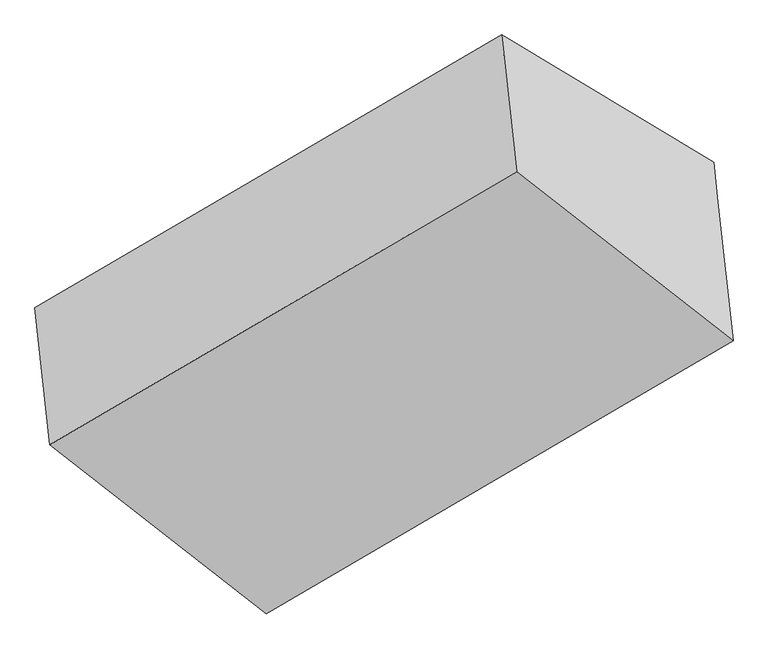
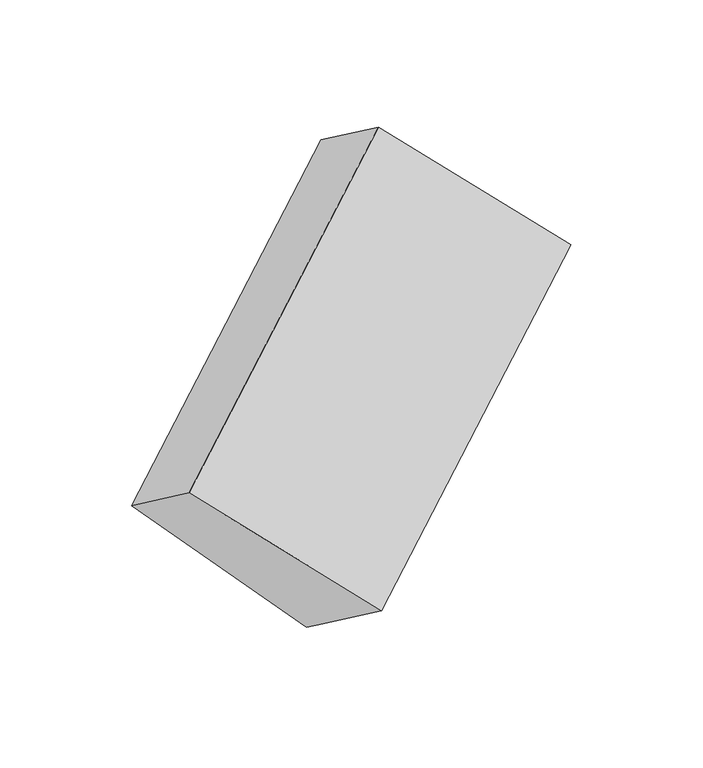
"""IFC4 building model written with IfcOpenShell, lengths in millimetres: proxy geometry."""

import ifcopenshell
import ifcopenshell.guid

model = None  # the IFC model being written
_history = None  # IfcOwnerHistory: only IFC2X3 demands one
_inside = {}  # id of a spatial element -> (the spatial element, [elements in it])
_under = {}  # id of a project, library or spatial element -> (it, [spatial elements below it])
_declared = {}  # id of a project -> (the project, [libraries it declares])
_typed = {}  # id of a type object -> (the type object, [elements of that type])
_made_of = {}  # id of a material, layer set ... -> (it, [elements and type objects made of it])


def new_model(schema):
    """Start an empty IFC model of exactly this schema.

    Asked for "IFC4X3", IfcOpenShell would pick the latest addendum, in which some entities
    have other attributes; the version numbers below select the first issue.
    IFC2X3 requires an IfcOwnerHistory on every rooted entity: one is made here for all.
    """
    global model, _history
    if schema == "IFC4X3":
        model = ifcopenshell.file(schema_version=(4, 3, 0, 0))
    else:
        model = ifcopenshell.file(schema=schema)
    _inside.clear()
    _under.clear()
    _declared.clear()
    _typed.clear()
    _made_of.clear()
    _history = None
    if model.schema == "IFC2X3":
        org = make("IfcOrganization", Name="unknown")
        user = make(
            "IfcPersonAndOrganization",
            ThePerson=make("IfcPerson", FamilyName="unknown"),
            TheOrganization=org,
        )
        app = make(
            "IfcApplication",
            ApplicationDeveloper=org,
            Version="unknown",
            ApplicationFullName="unknown",
            ApplicationIdentifier="unknown",
        )
        _history = make(
            "IfcOwnerHistory",
            OwningUser=user,
            OwningApplication=app,
            ChangeAction="ADDED",
            CreationDate=0,
        )
    return model


def make(cls, **values):
    """One entity of the class cls with the attributes given. An attribute that is None is left unset."""
    return model.create_entity(
        cls, **{name: value for name, value in values.items() if value is not None}
    )


def rooted(cls, **values):
    """An entity with a GlobalId (a new one), such as an element, a storey or a relation."""
    return make(cls, GlobalId=ifcopenshell.guid.new(), OwnerHistory=_history, **values)


def si_unit(unit_type, name, prefix=None):
    """IfcSIUnit, for example si_unit("LENGTHUNIT", "METRE", prefix="MILLI")."""
    return make("IfcSIUnit", UnitType=unit_type, Prefix=prefix, Name=name)


def assignment(units):
    """IfcUnitAssignment: the units of a project."""
    return None if units is None else make("IfcUnitAssignment", Units=units)


def point(xyz):
    """IfcCartesianPoint."""
    return None if xyz is None else make("IfcCartesianPoint", Coordinates=xyz)


def direction(xyz):
    """IfcDirection."""
    return None if xyz is None else make("IfcDirection", DirectionRatios=xyz)


def frame(location, z_axis=None, x_axis=None):
    """IfcAxis2Placement3D, a coordinate frame: its origin and axes. An axis left out is left unset."""
    return make(
        "IfcAxis2Placement3D",
        Location=point(location),
        Axis=direction(z_axis),
        RefDirection=direction(x_axis),
    )


def origin():
    """The frame at (0, 0, 0) with its axes left unset."""
    return frame((0.0, 0.0, 0.0))


def place(relative_to, where):
    """IfcLocalPlacement: puts the frame where relative to a parent placement (None: the world)."""
    return make(
        "IfcLocalPlacement", PlacementRelTo=relative_to, RelativePlacement=where
    )


def context(
    kind, dimensions, precision=None, world=None, true_north=None, identifier=None
):
    """IfcGeometricRepresentationContext, for example the 3D "Model" context."""
    return make(
        "IfcGeometricRepresentationContext",
        ContextIdentifier=identifier,
        ContextType=kind,
        CoordinateSpaceDimension=dimensions,
        Precision=precision,
        WorldCoordinateSystem=world,
        TrueNorth=true_north,
    )


def project(units=None, contexts=None):
    """IfcProject with its units and contexts."""
    return rooted(
        "IfcProject",
        Name="project",
        RepresentationContexts=contexts,
        UnitsInContext=assignment(units),
    )


def spatial(cls, under=None, at=None, **own):
    """A site, building, storey or space (cls), placed at a placement, below another one or the project."""
    s = rooted(cls, ObjectPlacement=at, **own)
    if under is not None:
        _under.setdefault(under.id(), (under, []))[1].append(s)
    return s


def faces_of(points, faces, orient=None, outer=None):
    """IfcFace entities. A face is a list of loops; a loop is a list of indices into points, from 0.

    orient and outer hold one flag for each loop. By default every Orientation is true, the
    first loop of a face is its IfcFaceOuterBound and the others are IfcFaceBound.
    """
    made = []
    for i, loops in enumerate(faces):
        bounds = []
        for j, loop in enumerate(loops):
            is_outer = j == 0 if outer is None else outer[i][j]
            bounds.append(
                make(
                    "IfcFaceOuterBound" if is_outer else "IfcFaceBound",
                    Bound=make("IfcPolyLoop", Polygon=[points[k] for k in loop]),
                    Orientation=True if orient is None else orient[i][j],
                )
            )
        made.append(make("IfcFace", Bounds=bounds))
    return made


def faceted_brep(points, faces, orient=None, outer=None, voids=None):
    """IfcFacetedBrep: a solid bounded by flat faces; with voids (closed shells), ...WithVoids."""
    shared = [point(p) for p in points]
    hull = make("IfcClosedShell", CfsFaces=faces_of(shared, faces, orient, outer))
    if voids is None:
        return make("IfcFacetedBrep", Outer=hull)
    return make(
        "IfcFacetedBrepWithVoids",
        Outer=hull,
        Voids=[
            make(cls, CfsFaces=faces_of(shared, fs, o, b)) for cls, fs, o, b in voids
        ],
    )


def shape(context_of_items, identifier, shape_type, items):
    """IfcShapeRepresentation: the items that make up one representation, for example the "Body"."""
    return make(
        "IfcShapeRepresentation",
        ContextOfItems=context_of_items,
        RepresentationIdentifier=identifier,
        RepresentationType=shape_type,
        Items=items,
    )


def source(mapping_origin, context_of_items, identifier, shape_type, items):
    """IfcRepresentationMap: a shape defined once, which mapped items show again and again."""
    return make(
        "IfcRepresentationMap",
        MappingOrigin=mapping_origin,
        MappedRepresentation=shape(context_of_items, identifier, shape_type, items),
    )


def transform(
    local_origin,
    x_axis=None,
    y_axis=None,
    z_axis=None,
    scale=None,
    scale2=None,
    scale3=None,
    uniform=True,
):
    """IfcCartesianTransformationOperator3D, or its non-uniform kind. x_axis, y_axis, z_axis: its Axis1, 2, 3."""
    if uniform:
        return make(
            "IfcCartesianTransformationOperator3D",
            Axis1=direction(x_axis),
            Axis2=direction(y_axis),
            LocalOrigin=point(local_origin),
            Scale=scale,
            Axis3=direction(z_axis),
        )
    return make(
        "IfcCartesianTransformationOperator3DnonUniform",
        Axis1=direction(x_axis),
        Axis2=direction(y_axis),
        LocalOrigin=point(local_origin),
        Scale=scale,
        Axis3=direction(z_axis),
        Scale2=scale2,
        Scale3=scale3,
    )


def mapped(mapping_source, mapping_target):
    """IfcMappedItem: shows the shape of a source again, moved by a transform."""
    return make(
        "IfcMappedItem", MappingSource=mapping_source, MappingTarget=mapping_target
    )


def made_of(thing, what):
    """Note that an element or type object is made of a material, layer set ...; save() writes the relation."""
    if what is not None:
        _made_of.setdefault(what.id(), (what, []))[1].append(thing)
    return thing


def element(
    cls,
    number,
    at=None,
    inside=None,
    cuts=None,
    type_object=None,
    material=None,
    context=None,
    identifier="Body",
    shape_type=None,
    held_by="IfcProductDefinitionShape",
    body=None,
    shapes=None,
    **own,
):
    """One element of the class cls, such as IfcWall. Its Tag is "e" and its number.

    at: its placement. inside: the storey or other place that contains it. cuts: it is an
    opening in that element (IfcRelVoidsElement). A single representation is given by context,
    identifier, shape_type and body (its items); several are given by shapes. held_by: the class
    of the entity that holds the representations. save() writes the other relations.
    """
    e = rooted(cls, Tag="e%d" % number, ObjectPlacement=at, **own)
    if body is not None:
        shapes = [shape(context, identifier, shape_type, body)]
    if shapes is not None:
        e.Representation = make(held_by, Representations=shapes)
    if inside is not None:
        _inside.setdefault(inside.id(), (inside, []))[1].append(e)
    if cuts is not None:
        rooted(
            "IfcRelVoidsElement", RelatingBuildingElement=cuts, RelatedOpeningElement=e
        )
    if type_object is not None:
        _typed.setdefault(type_object.id(), (type_object, []))[1].append(e)
    return made_of(e, material)


def aggregate(whole, parts):
    """IfcRelAggregates: a whole, such as a stair, and the parts it consists of."""
    return rooted("IfcRelAggregates", RelatingObject=whole, RelatedObjects=parts)


def save(model, path):
    """Write the relations noted so far, then the file.

    IfcRelAggregates (storeys below a building ...), IfcRelContainedInSpatialStructure (elements
    in a storey), IfcRelDefinesByType, IfcRelAssociatesMaterial and IfcRelDeclares: one each for
    every whole, place, type object, material and project.
    """
    for whole, parts in _under.values():
        aggregate(whole, parts)
    for where, things in _inside.values():
        rooted(
            "IfcRelContainedInSpatialStructure",
            RelatedElements=things,
            RelatingStructure=where,
        )
    for kind, things in _typed.values():
        rooted("IfcRelDefinesByType", RelatedObjects=things, RelatingType=kind)
    for what, things in _made_of.values():
        rooted("IfcRelAssociatesMaterial", RelatedObjects=things, RelatingMaterial=what)
    for by, libraries in _declared.values():
        rooted("IfcRelDeclares", RelatingContext=by, RelatedDefinitions=libraries)
    model.write(path)


def generic_models_100e601b(model_context):
    return source(origin(), model_context, "Body", "Brep", [
        faceted_brep([(-3789.3874897, -1569.8273714, 1600.4015431), (-3746.805631, -1960.8467219, 1885.8382926), (-2413.8339872, -1181.2349486, 2747.7347121), (-2456.415846, -790.215598, 2462.2979626), (-3183.7069297, -1933.8849636, 1011.3233405), (-1850.7352859, -1154.2731902, 1873.21976), (-3171.4402257, -2046.5272669, 1093.550097), (-1838.4685819, -1266.9154935, 1955.4465165), (-3128.2378868, -2443.2443428, 1383.1460784), (-1795.266243, -1663.6325694, 2245.0424979)], [[[0, 1, 2, 3]], [[4, 0, 5]], [[6, 4, 5, 7]], [[8, 6, 7, 9]], [[1, 8, 9, 2]], [[7, 5, 3, 2, 9]], [[1, 0, 4, 6, 8]], [[3, 5, 0]]]),
    ])


if __name__ == "__main__":
    model = new_model("IFC4")
    model_context = context("Model", 3, world=origin())
    ifc_project = project(units=[si_unit("LENGTHUNIT", "METRE", prefix="MILLI")], contexts=[model_context])
    site = spatial("IfcSite", under=ifc_project)
    building = spatial("IfcBuilding", under=site)
    placement = place(None, origin())
    generic_models_shape = generic_models_100e601b(model_context)
    element("IfcBuildingElementProxy", 1, Name="Generic Models", at=placement, inside=building, context=model_context, shape_type="MappedRepresentation", body=[
        mapped(generic_models_shape, transform((0.0, 0.0, 0.0), x_axis=(1.0, 0.0, 0.0), y_axis=(0.0, 1.0, 0.0), z_axis=(0.0, 0.0, 1.0))),
    ])
    save(model, "model.ifc")
